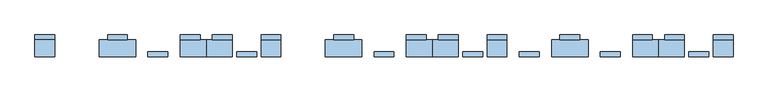
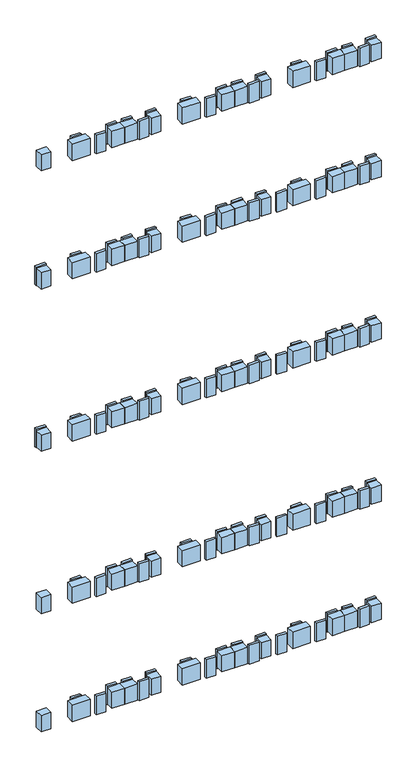
"""IFC4 building model written with IfcOpenShell, lengths in millimetres: window geometry."""

from ifc_helpers import new_model, si_unit, frame, origin, place, context, project, spatial, polyline, outline, extrude, source, transform, mapped, element, save


def window_9697532f(model_context):
    return source(origin(), model_context, "Body", "SweptSolid", [
        extrude(outline(polyline([(639.9988192, 120.0), (639.9988192, 146.0), (670.9988192, 146.0), (670.9988192, 120.0), (639.9988192, 120.0)])), frame((0.0, 0.0, 1622.5), z_axis=(0.0, 0.0, 1.0), x_axis=(1.0, 0.0, 0.0)), (0.0, 0.0, 1.0), 55.0),
        extrude(outline(polyline([(639.9988192, 146.0), (639.9988192, 153.9), (670.9988192, 153.9), (670.9988192, 146.0), (639.9988192, 146.0)])), frame((0.0, 0.0, 1618.5), z_axis=(0.0, 0.0, 1.0), x_axis=(1.0, 0.0, 0.0)), (0.0, 0.0, 1.0), 63.0),
        extrude(outline(polyline([(639.9988192, 120.0), (639.9988192, 146.0), (670.9988192, 146.0), (670.9988192, 120.0), (639.9988192, 120.0)])), frame((0.0, 0.0, 2023.0), z_axis=(0.0, 0.0, 1.0), x_axis=(1.0, 0.0, 0.0)), (0.0, 0.0, 1.0), 55.0),
        extrude(outline(polyline([(639.9988192, 120.0), (639.9988192, 146.0), (670.9988192, 146.0), (670.9988192, 120.0), (639.9988192, 120.0)])), frame((0.0, 0.0, 1072.5), z_axis=(0.0, 0.0, 1.0), x_axis=(1.0, 0.0, 0.0)), (0.0, 0.0, 1.0), 55.0),
        extrude(outline(polyline([(639.9988192, 120.0), (639.9988192, 146.0), (670.9988192, 146.0), (670.9988192, 120.0), (639.9988192, 120.0)])), frame((0.0, 0.0, 522.5), z_axis=(0.0, 0.0, 1.0), x_axis=(1.0, 0.0, 0.0)), (0.0, 0.0, 1.0), 55.0),
        extrude(outline(polyline([(639.9988192, 120.0), (639.9988192, 146.0), (670.9988192, 146.0), (670.9988192, 120.0), (639.9988192, 120.0)])), frame((0.0, 0.0, 121.986838), z_axis=(0.0, 0.0, 1.0), x_axis=(1.0, 0.0, 0.0)), (0.0, 0.0, 1.0), 55.0),
        extrude(outline(polyline([(639.9988192, 146.0), (639.9988192, 153.9), (670.9988192, 153.9), (670.9988192, 146.0), (639.9988192, 146.0)])), frame((0.0, 0.0, 1068.5), z_axis=(0.0, 0.0, 1.0), x_axis=(1.0, 0.0, 0.0)), (0.0, 0.0, 1.0), 63.0),
        extrude(outline(polyline([(639.9988192, 146.0), (639.9988192, 153.9), (670.9988192, 153.9), (670.9988192, 146.0), (639.9988192, 146.0)])), frame((0.0, 0.0, 518.5), z_axis=(0.0, 0.0, 1.0), x_axis=(1.0, 0.0, 0.0)), (0.0, 0.0, 1.0), 63.0),
        extrude(outline(polyline([(639.9988192, 146.0), (639.9988192, 153.9), (670.9988192, 153.9), (670.9988192, 146.0), (639.9988192, 146.0)])), frame((0.0, 0.0, 2019.0), z_axis=(0.0, 0.0, 1.0), x_axis=(1.0, 0.0, 0.0)), (0.0, 0.0, 1.0), 63.0),
        extrude(outline(polyline([(639.9988192, 146.0), (639.9988192, 153.9), (670.9988192, 153.9), (670.9988192, 146.0), (639.9988192, 146.0)])), frame((0.0, 0.0, 118.0), z_axis=(0.0, 0.0, 1.0), x_axis=(1.0, 0.0, 0.0)), (0.0, 0.0, 1.0), 63.0),
        extrude(outline(polyline([(601.9988192, 120.0), (601.9988192, 127.9), (632.9988192, 127.9), (632.9988192, 120.0), (601.9988192, 120.0)])), frame((0.0, 0.0, 1618.5), z_axis=(0.0, 0.0, 1.0), x_axis=(1.0, 0.0, 0.0)), (0.0, 0.0, 1.0), 63.0),
        extrude(outline(polyline([(601.9988192, 120.0), (601.9988192, 127.9), (632.9988192, 127.9), (632.9988192, 120.0), (601.9988192, 120.0)])), frame((0.0, 0.0, 1068.5), z_axis=(0.0, 0.0, 1.0), x_axis=(1.0, 0.0, 0.0)), (0.0, 0.0, 1.0), 63.0),
        extrude(outline(polyline([(601.9988192, 120.0), (601.9988192, 127.9), (632.9988192, 127.9), (632.9988192, 120.0), (601.9988192, 120.0)])), frame((0.0, 0.0, 518.5), z_axis=(0.0, 0.0, 1.0), x_axis=(1.0, 0.0, 0.0)), (0.0, 0.0, 1.0), 63.0),
        extrude(outline(polyline([(601.9988192, 120.0), (601.9988192, 127.9), (632.9988192, 127.9), (632.9988192, 120.0), (601.9988192, 120.0)])), frame((0.0, 0.0, 2019.0), z_axis=(0.0, 0.0, 1.0), x_axis=(1.0, 0.0, 0.0)), (0.0, 0.0, 1.0), 63.0),
        extrude(outline(polyline([(601.9988192, 120.0), (601.9988192, 127.9), (632.9988192, 127.9), (632.9988192, 120.0), (601.9988192, 120.0)])), frame((0.0, 0.0, 118.0), z_axis=(0.0, 0.0, 1.0), x_axis=(1.0, 0.0, 0.0)), (0.0, 0.0, 1.0), 63.0),
        extrude(outline(polyline([(564.0, 146.0), (564.0, 153.9), (595.0, 153.9), (595.0, 146.0), (564.0, 146.0)])), frame((0.0, 0.0, 118.0), z_axis=(0.0, 0.0, 1.0), x_axis=(1.0, 0.0, 0.0)), (0.0, 0.0, 1.0), 63.0),
        extrude(outline(polyline([(564.0, 146.0), (564.0, 153.9), (595.0, 153.9), (595.0, 146.0), (564.0, 146.0)])), frame((0.0, 0.0, 2019.0), z_axis=(0.0, 0.0, 1.0), x_axis=(1.0, 0.0, 0.0)), (0.0, 0.0, 1.0), 63.0),
        extrude(outline(polyline([(564.0, 146.0), (564.0, 153.9), (595.0, 153.9), (595.0, 146.0), (564.0, 146.0)])), frame((0.0, 0.0, 518.5), z_axis=(0.0, 0.0, 1.0), x_axis=(1.0, 0.0, 0.0)), (0.0, 0.0, 1.0), 63.0),
        extrude(outline(polyline([(564.0, 146.0), (564.0, 153.9), (595.0, 153.9), (595.0, 146.0), (564.0, 146.0)])), frame((0.0, 0.0, 1068.5), z_axis=(0.0, 0.0, 1.0), x_axis=(1.0, 0.0, 0.0)), (0.0, 0.0, 1.0), 63.0),
        extrude(outline(polyline([(555.0, 120.0), (555.0, 146.0), (595.0, 146.0), (595.0, 120.0), (555.0, 120.0)])), frame((0.0, 0.0, 121.986838), z_axis=(0.0, 0.0, 1.0), x_axis=(1.0, 0.0, 0.0)), (0.0, 0.0, 1.0), 55.0),
        extrude(outline(polyline([(555.0, 120.0), (555.0, 146.0), (595.0, 146.0), (595.0, 120.0), (555.0, 120.0)])), frame((0.0, 0.0, 522.5), z_axis=(0.0, 0.0, 1.0), x_axis=(1.0, 0.0, 0.0)), (0.0, 0.0, 1.0), 55.0),
        extrude(outline(polyline([(555.0, 120.0), (555.0, 146.0), (595.0, 146.0), (595.0, 120.0), (555.0, 120.0)])), frame((0.0, 0.0, 1072.5), z_axis=(0.0, 0.0, 1.0), x_axis=(1.0, 0.0, 0.0)), (0.0, 0.0, 1.0), 55.0),
        extrude(outline(polyline([(555.0, 120.0), (555.0, 146.0), (595.0, 146.0), (595.0, 120.0), (555.0, 120.0)])), frame((0.0, 0.0, 2023.0), z_axis=(0.0, 0.0, 1.0), x_axis=(1.0, 0.0, 0.0)), (0.0, 0.0, 1.0), 55.0),
        extrude(outline(polyline([(564.0, 146.0), (564.0, 153.9), (595.0, 153.9), (595.0, 146.0), (564.0, 146.0)])), frame((0.0, 0.0, 1618.5), z_axis=(0.0, 0.0, 1.0), x_axis=(1.0, 0.0, 0.0)), (0.0, 0.0, 1.0), 63.0),
        extrude(outline(polyline([(555.0, 120.0), (555.0, 146.0), (595.0, 146.0), (595.0, 120.0), (555.0, 120.0)])), frame((0.0, 0.0, 1622.5), z_axis=(0.0, 0.0, 1.0), x_axis=(1.0, 0.0, 0.0)), (0.0, 0.0, 1.0), 55.0),
        extrude(outline(polyline([(514.0, 146.0), (514.0, 153.9), (545.0, 153.9), (545.0, 146.0), (514.0, 146.0)])), frame((0.0, 0.0, 118.0), z_axis=(0.0, 0.0, 1.0), x_axis=(1.0, 0.0, 0.0)), (0.0, 0.0, 1.0), 63.0),
        extrude(outline(polyline([(514.0, 146.0), (514.0, 153.9), (545.0, 153.9), (545.0, 146.0), (514.0, 146.0)])), frame((0.0, 0.0, 2019.0), z_axis=(0.0, 0.0, 1.0), x_axis=(1.0, 0.0, 0.0)), (0.0, 0.0, 1.0), 63.0),
        extrude(outline(polyline([(514.0, 146.0), (514.0, 153.9), (545.0, 153.9), (545.0, 146.0), (514.0, 146.0)])), frame((0.0, 0.0, 518.5), z_axis=(0.0, 0.0, 1.0), x_axis=(1.0, 0.0, 0.0)), (0.0, 0.0, 1.0), 63.0),
        extrude(outline(polyline([(514.0, 146.0), (514.0, 153.9), (545.0, 153.9), (545.0, 146.0), (514.0, 146.0)])), frame((0.0, 0.0, 1068.5), z_axis=(0.0, 0.0, 1.0), x_axis=(1.0, 0.0, 0.0)), (0.0, 0.0, 1.0), 63.0),
        extrude(outline(polyline([(514.0, 120.0), (514.0, 146.0), (555.0, 146.0), (555.0, 120.0), (514.0, 120.0)])), frame((0.0, 0.0, 121.986838), z_axis=(0.0, 0.0, 1.0), x_axis=(1.0, 0.0, 0.0)), (0.0, 0.0, 1.0), 55.0),
        extrude(outline(polyline([(514.0, 120.0), (514.0, 146.0), (555.0, 146.0), (555.0, 120.0), (514.0, 120.0)])), frame((0.0, 0.0, 522.5), z_axis=(0.0, 0.0, 1.0), x_axis=(1.0, 0.0, 0.0)), (0.0, 0.0, 1.0), 55.0),
        extrude(outline(polyline([(514.0, 120.0), (514.0, 146.0), (555.0, 146.0), (555.0, 120.0), (514.0, 120.0)])), frame((0.0, 0.0, 1072.5), z_axis=(0.0, 0.0, 1.0), x_axis=(1.0, 0.0, 0.0)), (0.0, 0.0, 1.0), 55.0),
        extrude(outline(polyline([(514.0, 120.0), (514.0, 146.0), (555.0, 146.0), (555.0, 120.0), (514.0, 120.0)])), frame((0.0, 0.0, 2023.0), z_axis=(0.0, 0.0, 1.0), x_axis=(1.0, 0.0, 0.0)), (0.0, 0.0, 1.0), 55.0),
        extrude(outline(polyline([(514.0, 146.0), (514.0, 153.9), (545.0, 153.9), (545.0, 146.0), (514.0, 146.0)])), frame((0.0, 0.0, 1618.5), z_axis=(0.0, 0.0, 1.0), x_axis=(1.0, 0.0, 0.0)), (0.0, 0.0, 1.0), 63.0),
        extrude(outline(polyline([(514.0, 120.0), (514.0, 146.0), (555.0, 146.0), (555.0, 120.0), (514.0, 120.0)])), frame((0.0, 0.0, 1622.5), z_axis=(0.0, 0.0, 1.0), x_axis=(1.0, 0.0, 0.0)), (0.0, 0.0, 1.0), 55.0),
        extrude(outline(polyline([(463.5, 120.0), (463.5, 127.9), (494.5, 127.9), (494.5, 120.0), (463.5, 120.0)])), frame((0.0, 0.0, 1618.5), z_axis=(0.0, 0.0, 1.0), x_axis=(1.0, 0.0, 0.0)), (0.0, 0.0, 1.0), 63.0),
        extrude(outline(polyline([(463.5, 120.0), (463.5, 127.9), (494.5, 127.9), (494.5, 120.0), (463.5, 120.0)])), frame((0.0, 0.0, 1068.5), z_axis=(0.0, 0.0, 1.0), x_axis=(1.0, 0.0, 0.0)), (0.0, 0.0, 1.0), 63.0),
        extrude(outline(polyline([(463.5, 120.0), (463.5, 127.9), (494.5, 127.9), (494.5, 120.0), (463.5, 120.0)])), frame((0.0, 0.0, 518.5), z_axis=(0.0, 0.0, 1.0), x_axis=(1.0, 0.0, 0.0)), (0.0, 0.0, 1.0), 63.0),
        extrude(outline(polyline([(463.5, 120.0), (463.5, 127.9), (494.5, 127.9), (494.5, 120.0), (463.5, 120.0)])), frame((0.0, 0.0, 2019.0), z_axis=(0.0, 0.0, 1.0), x_axis=(1.0, 0.0, 0.0)), (0.0, 0.0, 1.0), 63.0),
        extrude(outline(polyline([(463.5, 120.0), (463.5, 127.9), (494.5, 127.9), (494.5, 120.0), (463.5, 120.0)])), frame((0.0, 0.0, 118.0), z_axis=(0.0, 0.0, 1.0), x_axis=(1.0, 0.0, 0.0)), (0.0, 0.0, 1.0), 63.0),
        extrude(outline(polyline([(387.5, 120.0), (387.5, 146.0), (444.5, 146.0), (444.5, 120.0), (387.5, 120.0)])), frame((0.0, 0.0, 1622.5), z_axis=(0.0, 0.0, 1.0), x_axis=(1.0, 0.0, 0.0)), (0.0, 0.0, 1.0), 55.0),
        extrude(outline(polyline([(400.5, 146.0), (400.5, 153.9), (431.5, 153.9), (431.5, 146.0), (400.5, 146.0)])), frame((0.0, 0.0, 1618.5), z_axis=(0.0, 0.0, 1.0), x_axis=(1.0, 0.0, 0.0)), (0.0, 0.0, 1.0), 63.0),
        extrude(outline(polyline([(387.5, 120.0), (387.5, 146.0), (444.5, 146.0), (444.5, 120.0), (387.5, 120.0)])), frame((0.0, 0.0, 2023.0), z_axis=(0.0, 0.0, 1.0), x_axis=(1.0, 0.0, 0.0)), (0.0, 0.0, 1.0), 55.0),
        extrude(outline(polyline([(387.5, 120.0), (387.5, 146.0), (444.5, 146.0), (444.5, 120.0), (387.5, 120.0)])), frame((0.0, 0.0, 1072.5), z_axis=(0.0, 0.0, 1.0), x_axis=(1.0, 0.0, 0.0)), (0.0, 0.0, 1.0), 55.0),
        extrude(outline(polyline([(387.5, 120.0), (387.5, 146.0), (444.5, 146.0), (444.5, 120.0), (387.5, 120.0)])), frame((0.0, 0.0, 522.5), z_axis=(0.0, 0.0, 1.0), x_axis=(1.0, 0.0, 0.0)), (0.0, 0.0, 1.0), 55.0),
        extrude(outline(polyline([(387.5, 120.0), (387.5, 146.0), (444.5, 146.0), (444.5, 120.0), (387.5, 120.0)])), frame((0.0, 0.0, 121.986838), z_axis=(0.0, 0.0, 1.0), x_axis=(1.0, 0.0, 0.0)), (0.0, 0.0, 1.0), 55.0),
        extrude(outline(polyline([(400.5, 146.0), (400.5, 153.9), (431.5, 153.9), (431.5, 146.0), (400.5, 146.0)])), frame((0.0, 0.0, 1068.5), z_axis=(0.0, 0.0, 1.0), x_axis=(1.0, 0.0, 0.0)), (0.0, 0.0, 1.0), 63.0),
        extrude(outline(polyline([(400.5, 146.0), (400.5, 153.9), (431.5, 153.9), (431.5, 146.0), (400.5, 146.0)])), frame((0.0, 0.0, 518.5), z_axis=(0.0, 0.0, 1.0), x_axis=(1.0, 0.0, 0.0)), (0.0, 0.0, 1.0), 63.0),
        extrude(outline(polyline([(400.5, 146.0), (400.5, 153.9), (431.5, 153.9), (431.5, 146.0), (400.5, 146.0)])), frame((0.0, 0.0, 2019.0), z_axis=(0.0, 0.0, 1.0), x_axis=(1.0, 0.0, 0.0)), (0.0, 0.0, 1.0), 63.0),
        extrude(outline(polyline([(400.5, 146.0), (400.5, 153.9), (431.5, 153.9), (431.5, 146.0), (400.5, 146.0)])), frame((0.0, 0.0, 118.0), z_axis=(0.0, 0.0, 1.0), x_axis=(1.0, 0.0, 0.0)), (0.0, 0.0, 1.0), 63.0),
        extrude(outline(polyline([(337.5, 120.1), (337.5, 128.0), (368.5, 128.0), (368.5, 120.1), (337.5, 120.1)])), frame((0.0, 0.0, 1618.5), z_axis=(0.0, 0.0, 1.0), x_axis=(1.0, 0.0, 0.0)), (0.0, 0.0, 1.0), 63.0),
        extrude(outline(polyline([(337.5, 120.1), (337.5, 128.0), (368.5, 128.0), (368.5, 120.1), (337.5, 120.1)])), frame((0.0, 0.0, 1068.5), z_axis=(0.0, 0.0, 1.0), x_axis=(1.0, 0.0, 0.0)), (0.0, 0.0, 1.0), 63.0),
        extrude(outline(polyline([(337.5, 120.1), (337.5, 128.0), (368.5, 128.0), (368.5, 120.1), (337.5, 120.1)])), frame((0.0, 0.0, 518.5), z_axis=(0.0, 0.0, 1.0), x_axis=(1.0, 0.0, 0.0)), (0.0, 0.0, 1.0), 63.0),
        extrude(outline(polyline([(337.5, 120.0), (337.5, 127.9), (368.5, 127.9), (368.5, 120.0), (337.5, 120.0)])), frame((0.0, 0.0, 118.0), z_axis=(0.0, 0.0, 1.0), x_axis=(1.0, 0.0, 0.0)), (0.0, 0.0, 1.0), 63.0),
        extrude(outline(polyline([(286.9988192, 120.0), (286.9988192, 146.0), (317.9988192, 146.0), (317.9988192, 120.0), (286.9988192, 120.0)])), frame((0.0, 0.0, 1622.5), z_axis=(0.0, 0.0, 1.0), x_axis=(1.0, 0.0, 0.0)), (0.0, 0.0, 1.0), 55.0),
        extrude(outline(polyline([(286.9988192, 146.0), (286.9988192, 153.9), (317.9988192, 153.9), (317.9988192, 146.0), (286.9988192, 146.0)])), frame((0.0, 0.0, 1618.5), z_axis=(0.0, 0.0, 1.0), x_axis=(1.0, 0.0, 0.0)), (0.0, 0.0, 1.0), 63.0),
        extrude(outline(polyline([(286.9988192, 120.0), (286.9988192, 146.0), (317.9988192, 146.0), (317.9988192, 120.0), (286.9988192, 120.0)])), frame((0.0, 0.0, 2023.0), z_axis=(0.0, 0.0, 1.0), x_axis=(1.0, 0.0, 0.0)), (0.0, 0.0, 1.0), 55.0),
        extrude(outline(polyline([(286.9988192, 120.0), (286.9988192, 146.0), (317.9988192, 146.0), (317.9988192, 120.0), (286.9988192, 120.0)])), frame((0.0, 0.0, 1072.5), z_axis=(0.0, 0.0, 1.0), x_axis=(1.0, 0.0, 0.0)), (0.0, 0.0, 1.0), 55.0),
        extrude(outline(polyline([(286.9988192, 120.0), (286.9988192, 146.0), (317.9988192, 146.0), (317.9988192, 120.0), (286.9988192, 120.0)])), frame((0.0, 0.0, 522.5), z_axis=(0.0, 0.0, 1.0), x_axis=(1.0, 0.0, 0.0)), (0.0, 0.0, 1.0), 55.0),
        extrude(outline(polyline([(286.9988192, 120.0), (286.9988192, 146.0), (317.9988192, 146.0), (317.9988192, 120.0), (286.9988192, 120.0)])), frame((0.0, 0.0, 121.986838), z_axis=(0.0, 0.0, 1.0), x_axis=(1.0, 0.0, 0.0)), (0.0, 0.0, 1.0), 55.0),
        extrude(outline(polyline([(286.9988192, 146.0), (286.9988192, 153.9), (317.9988192, 153.9), (317.9988192, 146.0), (286.9988192, 146.0)])), frame((0.0, 0.0, 1068.5), z_axis=(0.0, 0.0, 1.0), x_axis=(1.0, 0.0, 0.0)), (0.0, 0.0, 1.0), 63.0),
        extrude(outline(polyline([(286.9988192, 146.0), (286.9988192, 153.9), (317.9988192, 153.9), (317.9988192, 146.0), (286.9988192, 146.0)])), frame((0.0, 0.0, 518.5), z_axis=(0.0, 0.0, 1.0), x_axis=(1.0, 0.0, 0.0)), (0.0, 0.0, 1.0), 63.0),
        extrude(outline(polyline([(286.9988192, 146.0), (286.9988192, 153.9), (317.9988192, 153.9), (317.9988192, 146.0), (286.9988192, 146.0)])), frame((0.0, 0.0, 2019.0), z_axis=(0.0, 0.0, 1.0), x_axis=(1.0, 0.0, 0.0)), (0.0, 0.0, 1.0), 63.0),
        extrude(outline(polyline([(286.9988192, 146.0), (286.9988192, 153.9), (317.9988192, 153.9), (317.9988192, 146.0), (286.9988192, 146.0)])), frame((0.0, 0.0, 118.0), z_axis=(0.0, 0.0, 1.0), x_axis=(1.0, 0.0, 0.0)), (0.0, 0.0, 1.0), 63.0),
        extrude(outline(polyline([(248.9988192, 120.0), (248.9988192, 127.9), (279.9988192, 127.9), (279.9988192, 120.0), (248.9988192, 120.0)])), frame((0.0, 0.0, 1618.5), z_axis=(0.0, 0.0, 1.0), x_axis=(1.0, 0.0, 0.0)), (0.0, 0.0, 1.0), 63.0),
        extrude(outline(polyline([(248.9988192, 120.0), (248.9988192, 127.9), (279.9988192, 127.9), (279.9988192, 120.0), (248.9988192, 120.0)])), frame((0.0, 0.0, 1068.5), z_axis=(0.0, 0.0, 1.0), x_axis=(1.0, 0.0, 0.0)), (0.0, 0.0, 1.0), 63.0),
        extrude(outline(polyline([(248.9988192, 120.0), (248.9988192, 127.9), (279.9988192, 127.9), (279.9988192, 120.0), (248.9988192, 120.0)])), frame((0.0, 0.0, 518.5), z_axis=(0.0, 0.0, 1.0), x_axis=(1.0, 0.0, 0.0)), (0.0, 0.0, 1.0), 63.0),
        extrude(outline(polyline([(248.9988192, 120.0), (248.9988192, 127.9), (279.9988192, 127.9), (279.9988192, 120.0), (248.9988192, 120.0)])), frame((0.0, 0.0, 2019.0), z_axis=(0.0, 0.0, 1.0), x_axis=(1.0, 0.0, 0.0)), (0.0, 0.0, 1.0), 63.0),
        extrude(outline(polyline([(248.9988192, 120.0), (248.9988192, 127.9), (279.9988192, 127.9), (279.9988192, 120.0), (248.9988192, 120.0)])), frame((0.0, 0.0, 118.0), z_axis=(0.0, 0.0, 1.0), x_axis=(1.0, 0.0, 0.0)), (0.0, 0.0, 1.0), 63.0),
        extrude(outline(polyline([(202.0, 120.0), (202.0, 146.0), (242.0, 146.0), (242.0, 120.0), (202.0, 120.0)])), frame((0.0, 0.0, 1622.5), z_axis=(0.0, 0.0, 1.0), x_axis=(1.0, 0.0, 0.0)), (0.0, 0.0, 1.0), 55.0),
        extrude(outline(polyline([(211.0, 146.0), (211.0, 153.9), (242.0, 153.9), (242.0, 146.0), (211.0, 146.0)])), frame((0.0, 0.0, 1618.5), z_axis=(0.0, 0.0, 1.0), x_axis=(1.0, 0.0, 0.0)), (0.0, 0.0, 1.0), 63.0),
        extrude(outline(polyline([(202.0, 120.0), (202.0, 146.0), (242.0, 146.0), (242.0, 120.0), (202.0, 120.0)])), frame((0.0, 0.0, 2023.0), z_axis=(0.0, 0.0, 1.0), x_axis=(1.0, 0.0, 0.0)), (0.0, 0.0, 1.0), 55.0),
        extrude(outline(polyline([(202.0, 120.0), (202.0, 146.0), (242.0, 146.0), (242.0, 120.0), (202.0, 120.0)])), frame((0.0, 0.0, 1072.5), z_axis=(0.0, 0.0, 1.0), x_axis=(1.0, 0.0, 0.0)), (0.0, 0.0, 1.0), 55.0),
        extrude(outline(polyline([(202.0, 120.0), (202.0, 146.0), (242.0, 146.0), (242.0, 120.0), (202.0, 120.0)])), frame((0.0, 0.0, 522.5), z_axis=(0.0, 0.0, 1.0), x_axis=(1.0, 0.0, 0.0)), (0.0, 0.0, 1.0), 55.0),
        extrude(outline(polyline([(202.0, 120.0), (202.0, 146.0), (242.0, 146.0), (242.0, 120.0), (202.0, 120.0)])), frame((0.0, 0.0, 121.986838), z_axis=(0.0, 0.0, 1.0), x_axis=(1.0, 0.0, 0.0)), (0.0, 0.0, 1.0), 55.0),
        extrude(outline(polyline([(211.0, 146.0), (211.0, 153.9), (242.0, 153.9), (242.0, 146.0), (211.0, 146.0)])), frame((0.0, 0.0, 1068.5), z_axis=(0.0, 0.0, 1.0), x_axis=(1.0, 0.0, 0.0)), (0.0, 0.0, 1.0), 63.0),
        extrude(outline(polyline([(211.0, 146.0), (211.0, 153.9), (242.0, 153.9), (242.0, 146.0), (211.0, 146.0)])), frame((0.0, 0.0, 518.5), z_axis=(0.0, 0.0, 1.0), x_axis=(1.0, 0.0, 0.0)), (0.0, 0.0, 1.0), 63.0),
        extrude(outline(polyline([(211.0, 146.0), (211.0, 153.9), (242.0, 153.9), (242.0, 146.0), (211.0, 146.0)])), frame((0.0, 0.0, 2019.0), z_axis=(0.0, 0.0, 1.0), x_axis=(1.0, 0.0, 0.0)), (0.0, 0.0, 1.0), 63.0),
        extrude(outline(polyline([(211.0, 146.0), (211.0, 153.9), (242.0, 153.9), (242.0, 146.0), (211.0, 146.0)])), frame((0.0, 0.0, 118.0), z_axis=(0.0, 0.0, 1.0), x_axis=(1.0, 0.0, 0.0)), (0.0, 0.0, 1.0), 63.0),
        extrude(outline(polyline([(161.0, 120.0), (161.0, 146.0), (202.0, 146.0), (202.0, 120.0), (161.0, 120.0)])), frame((0.0, 0.0, 1622.5), z_axis=(0.0, 0.0, 1.0), x_axis=(1.0, 0.0, 0.0)), (0.0, 0.0, 1.0), 55.0),
        extrude(outline(polyline([(161.0, 146.0), (161.0, 153.9), (192.0, 153.9), (192.0, 146.0), (161.0, 146.0)])), frame((0.0, 0.0, 1618.5), z_axis=(0.0, 0.0, 1.0), x_axis=(1.0, 0.0, 0.0)), (0.0, 0.0, 1.0), 63.0),
        extrude(outline(polyline([(161.0, 120.0), (161.0, 146.0), (202.0, 146.0), (202.0, 120.0), (161.0, 120.0)])), frame((0.0, 0.0, 2023.0), z_axis=(0.0, 0.0, 1.0), x_axis=(1.0, 0.0, 0.0)), (0.0, 0.0, 1.0), 55.0),
        extrude(outline(polyline([(161.0, 120.0), (161.0, 146.0), (202.0, 146.0), (202.0, 120.0), (161.0, 120.0)])), frame((0.0, 0.0, 1072.5), z_axis=(0.0, 0.0, 1.0), x_axis=(1.0, 0.0, 0.0)), (0.0, 0.0, 1.0), 55.0),
        extrude(outline(polyline([(161.0, 120.0), (161.0, 146.0), (202.0, 146.0), (202.0, 120.0), (161.0, 120.0)])), frame((0.0, 0.0, 522.5), z_axis=(0.0, 0.0, 1.0), x_axis=(1.0, 0.0, 0.0)), (0.0, 0.0, 1.0), 55.0),
        extrude(outline(polyline([(161.0, 120.0), (161.0, 146.0), (202.0, 146.0), (202.0, 120.0), (161.0, 120.0)])), frame((0.0, 0.0, 121.986838), z_axis=(0.0, 0.0, 1.0), x_axis=(1.0, 0.0, 0.0)), (0.0, 0.0, 1.0), 55.0),
        extrude(outline(polyline([(161.0, 146.0), (161.0, 153.9), (192.0, 153.9), (192.0, 146.0), (161.0, 146.0)])), frame((0.0, 0.0, 1068.5), z_axis=(0.0, 0.0, 1.0), x_axis=(1.0, 0.0, 0.0)), (0.0, 0.0, 1.0), 63.0),
        extrude(outline(polyline([(161.0, 146.0), (161.0, 153.9), (192.0, 153.9), (192.0, 146.0), (161.0, 146.0)])), frame((0.0, 0.0, 518.5), z_axis=(0.0, 0.0, 1.0), x_axis=(1.0, 0.0, 0.0)), (0.0, 0.0, 1.0), 63.0),
        extrude(outline(polyline([(161.0, 146.0), (161.0, 153.9), (192.0, 153.9), (192.0, 146.0), (161.0, 146.0)])), frame((0.0, 0.0, 2019.0), z_axis=(0.0, 0.0, 1.0), x_axis=(1.0, 0.0, 0.0)), (0.0, 0.0, 1.0), 63.0),
        extrude(outline(polyline([(161.0, 146.0), (161.0, 153.9), (192.0, 153.9), (192.0, 146.0), (161.0, 146.0)])), frame((0.0, 0.0, 118.0), z_axis=(0.0, 0.0, 1.0), x_axis=(1.0, 0.0, 0.0)), (0.0, 0.0, 1.0), 63.0),
        extrude(outline(polyline([(110.5, 120.0), (110.5, 127.9), (141.5, 127.9), (141.5, 120.0), (110.5, 120.0)])), frame((0.0, 0.0, 1618.5), z_axis=(0.0, 0.0, 1.0), x_axis=(1.0, 0.0, 0.0)), (0.0, 0.0, 1.0), 63.0),
        extrude(outline(polyline([(110.5, 120.0), (110.5, 127.9), (141.5, 127.9), (141.5, 120.0), (110.5, 120.0)])), frame((0.0, 0.0, 1068.5), z_axis=(0.0, 0.0, 1.0), x_axis=(1.0, 0.0, 0.0)), (0.0, 0.0, 1.0), 63.0),
        extrude(outline(polyline([(110.5, 120.0), (110.5, 127.9), (141.5, 127.9), (141.5, 120.0), (110.5, 120.0)])), frame((0.0, 0.0, 518.5), z_axis=(0.0, 0.0, 1.0), x_axis=(1.0, 0.0, 0.0)), (0.0, 0.0, 1.0), 63.0),
        extrude(outline(polyline([(110.5, 120.0), (110.5, 127.9), (141.5, 127.9), (141.5, 120.0), (110.5, 120.0)])), frame((0.0, 0.0, 2019.0), z_axis=(0.0, 0.0, 1.0), x_axis=(1.0, 0.0, 0.0)), (0.0, 0.0, 1.0), 63.0),
        extrude(outline(polyline([(110.5, 120.0), (110.5, 127.9), (141.5, 127.9), (141.5, 120.0), (110.5, 120.0)])), frame((0.0, 0.0, 118.0), z_axis=(0.0, 0.0, 1.0), x_axis=(1.0, 0.0, 0.0)), (0.0, 0.0, 1.0), 63.0),
        extrude(outline(polyline([(34.5, 120.0), (34.5, 146.0), (91.5, 146.0), (91.5, 120.0), (34.5, 120.0)])), frame((0.0, 0.0, 1622.5), z_axis=(0.0, 0.0, 1.0), x_axis=(1.0, 0.0, 0.0)), (0.0, 0.0, 1.0), 55.0),
        extrude(outline(polyline([(47.5, 146.0), (47.5, 153.9), (78.5, 153.9), (78.5, 146.0), (47.5, 146.0)])), frame((0.0, 0.0, 1618.5), z_axis=(0.0, 0.0, 1.0), x_axis=(1.0, 0.0, 0.0)), (0.0, 0.0, 1.0), 63.0),
        extrude(outline(polyline([(34.5, 120.0), (34.5, 146.0), (91.5, 146.0), (91.5, 120.0), (34.5, 120.0)])), frame((0.0, 0.0, 2023.0), z_axis=(0.0, 0.0, 1.0), x_axis=(1.0, 0.0, 0.0)), (0.0, 0.0, 1.0), 55.0),
        extrude(outline(polyline([(34.5, 120.0), (34.5, 146.0), (91.5, 146.0), (91.5, 120.0), (34.5, 120.0)])), frame((0.0, 0.0, 1072.5), z_axis=(0.0, 0.0, 1.0), x_axis=(1.0, 0.0, 0.0)), (0.0, 0.0, 1.0), 55.0),
        extrude(outline(polyline([(34.5, 120.0), (34.5, 146.0), (91.5, 146.0), (91.5, 120.0), (34.5, 120.0)])), frame((0.0, 0.0, 522.5), z_axis=(0.0, 0.0, 1.0), x_axis=(1.0, 0.0, 0.0)), (0.0, 0.0, 1.0), 55.0),
        extrude(outline(polyline([(34.5, 120.0), (34.5, 146.0), (91.5, 146.0), (91.5, 120.0), (34.5, 120.0)])), frame((0.0, 0.0, 121.986838), z_axis=(0.0, 0.0, 1.0), x_axis=(1.0, 0.0, 0.0)), (0.0, 0.0, 1.0), 55.0),
        extrude(outline(polyline([(47.5, 146.0), (47.5, 153.9), (78.5, 153.9), (78.5, 146.0), (47.5, 146.0)])), frame((0.0, 0.0, 1068.5), z_axis=(0.0, 0.0, 1.0), x_axis=(1.0, 0.0, 0.0)), (0.0, 0.0, 1.0), 63.0),
        extrude(outline(polyline([(47.5, 146.0), (47.5, 153.9), (78.5, 153.9), (78.5, 146.0), (47.5, 146.0)])), frame((0.0, 0.0, 518.5), z_axis=(0.0, 0.0, 1.0), x_axis=(1.0, 0.0, 0.0)), (0.0, 0.0, 1.0), 63.0),
        extrude(outline(polyline([(47.5, 146.0), (47.5, 153.9), (78.5, 153.9), (78.5, 146.0), (47.5, 146.0)])), frame((0.0, 0.0, 2019.0), z_axis=(0.0, 0.0, 1.0), x_axis=(1.0, 0.0, 0.0)), (0.0, 0.0, 1.0), 63.0),
        extrude(outline(polyline([(47.5, 146.0), (47.5, 153.9), (78.5, 153.9), (78.5, 146.0), (47.5, 146.0)])), frame((0.0, 0.0, 118.0), z_axis=(0.0, 0.0, 1.0), x_axis=(1.0, 0.0, 0.0)), (0.0, 0.0, 1.0), 63.0),
        extrude(outline(polyline([(-66.0011808, 120.0), (-66.0011808, 146.0), (-35.0011808, 146.0), (-35.0011808, 120.0), (-66.0011808, 120.0)])), frame((0.0, 0.0, 1622.5), z_axis=(0.0, 0.0, 1.0), x_axis=(1.0, 0.0, 0.0)), (0.0, 0.0, 1.0), 55.0),
        extrude(outline(polyline([(-66.0011808, 146.0), (-66.0011808, 153.9), (-35.0011808, 153.9), (-35.0011808, 146.0), (-66.0011808, 146.0)])), frame((0.0, 0.0, 1618.5), z_axis=(0.0, 0.0, 1.0), x_axis=(1.0, 0.0, 0.0)), (0.0, 0.0, 1.0), 63.0),
        extrude(outline(polyline([(-66.0011808, 120.0), (-66.0011808, 146.0), (-35.0011808, 146.0), (-35.0011808, 120.0), (-66.0011808, 120.0)])), frame((0.0, 0.0, 2023.0), z_axis=(0.0, 0.0, 1.0), x_axis=(1.0, 0.0, 0.0)), (0.0, 0.0, 1.0), 55.0),
        extrude(outline(polyline([(-66.0011808, 120.0), (-66.0011808, 146.0), (-35.0011808, 146.0), (-35.0011808, 120.0), (-66.0011808, 120.0)])), frame((0.0, 0.0, 1072.5), z_axis=(0.0, 0.0, 1.0), x_axis=(1.0, 0.0, 0.0)), (0.0, 0.0, 1.0), 55.0),
        extrude(outline(polyline([(-66.0011808, 120.0), (-66.0011808, 146.0), (-35.0011808, 146.0), (-35.0011808, 120.0), (-66.0011808, 120.0)])), frame((0.0, 0.0, 522.5), z_axis=(0.0, 0.0, 1.0), x_axis=(1.0, 0.0, 0.0)), (0.0, 0.0, 1.0), 55.0),
        extrude(outline(polyline([(-66.0011808, 120.0), (-66.0011808, 146.0), (-35.0011808, 146.0), (-35.0011808, 120.0), (-66.0011808, 120.0)])), frame((0.0, 0.0, 121.986838), z_axis=(0.0, 0.0, 1.0), x_axis=(1.0, 0.0, 0.0)), (0.0, 0.0, 1.0), 55.0),
        extrude(outline(polyline([(-66.0011808, 146.0), (-66.0011808, 153.9), (-35.0011808, 153.9), (-35.0011808, 146.0), (-66.0011808, 146.0)])), frame((0.0, 0.0, 1068.5), z_axis=(0.0, 0.0, 1.0), x_axis=(1.0, 0.0, 0.0)), (0.0, 0.0, 1.0), 63.0),
        extrude(outline(polyline([(-66.0011808, 146.0), (-66.0011808, 153.9), (-35.0011808, 153.9), (-35.0011808, 146.0), (-66.0011808, 146.0)])), frame((0.0, 0.0, 518.5), z_axis=(0.0, 0.0, 1.0), x_axis=(1.0, 0.0, 0.0)), (0.0, 0.0, 1.0), 63.0),
        extrude(outline(polyline([(-66.0011808, 146.0), (-66.0011808, 153.9), (-35.0011808, 153.9), (-35.0011808, 146.0), (-66.0011808, 146.0)])), frame((0.0, 0.0, 2019.0), z_axis=(0.0, 0.0, 1.0), x_axis=(1.0, 0.0, 0.0)), (0.0, 0.0, 1.0), 63.0),
        extrude(outline(polyline([(-66.0011808, 146.0), (-66.0011808, 153.9), (-35.0011808, 153.9), (-35.0011808, 146.0), (-66.0011808, 146.0)])), frame((0.0, 0.0, 118.0), z_axis=(0.0, 0.0, 1.0), x_axis=(1.0, 0.0, 0.0)), (0.0, 0.0, 1.0), 63.0),
        extrude(outline(polyline([(-104.0011808, 120.0), (-104.0011808, 127.9), (-73.0011808, 127.9), (-73.0011808, 120.0), (-104.0011808, 120.0)])), frame((0.0, 0.0, 1618.5), z_axis=(0.0, 0.0, 1.0), x_axis=(1.0, 0.0, 0.0)), (0.0, 0.0, 1.0), 63.0),
        extrude(outline(polyline([(-104.0011808, 120.0), (-104.0011808, 127.9), (-73.0011808, 127.9), (-73.0011808, 120.0), (-104.0011808, 120.0)])), frame((0.0, 0.0, 1068.5), z_axis=(0.0, 0.0, 1.0), x_axis=(1.0, 0.0, 0.0)), (0.0, 0.0, 1.0), 63.0),
        extrude(outline(polyline([(-104.0011808, 120.0), (-104.0011808, 127.9), (-73.0011808, 127.9), (-73.0011808, 120.0), (-104.0011808, 120.0)])), frame((0.0, 0.0, 518.5), z_axis=(0.0, 0.0, 1.0), x_axis=(1.0, 0.0, 0.0)), (0.0, 0.0, 1.0), 63.0),
        extrude(outline(polyline([(-104.0011808, 120.0), (-104.0011808, 127.9), (-73.0011808, 127.9), (-73.0011808, 120.0), (-104.0011808, 120.0)])), frame((0.0, 0.0, 2019.0), z_axis=(0.0, 0.0, 1.0), x_axis=(1.0, 0.0, 0.0)), (0.0, 0.0, 1.0), 63.0),
        extrude(outline(polyline([(-104.0011808, 120.0), (-104.0011808, 127.9), (-73.0011808, 127.9), (-73.0011808, 120.0), (-104.0011808, 120.0)])), frame((0.0, 0.0, 118.0), z_axis=(0.0, 0.0, 1.0), x_axis=(1.0, 0.0, 0.0)), (0.0, 0.0, 1.0), 63.0),
        extrude(outline(polyline([(-142.0, 146.0), (-142.0, 153.9), (-111.0, 153.9), (-111.0, 146.0), (-142.0, 146.0)])), frame((0.0, 0.0, 118.0), z_axis=(0.0, 0.0, 1.0), x_axis=(1.0, 0.0, 0.0)), (0.0, 0.0, 1.0), 63.0),
        extrude(outline(polyline([(-142.0, 146.0), (-142.0, 153.9), (-111.0, 153.9), (-111.0, 146.0), (-142.0, 146.0)])), frame((0.0, 0.0, 2019.0), z_axis=(0.0, 0.0, 1.0), x_axis=(1.0, 0.0, 0.0)), (0.0, 0.0, 1.0), 63.0),
        extrude(outline(polyline([(-142.0, 146.0), (-142.0, 153.9), (-111.0, 153.9), (-111.0, 146.0), (-142.0, 146.0)])), frame((0.0, 0.0, 518.5), z_axis=(0.0, 0.0, 1.0), x_axis=(1.0, 0.0, 0.0)), (0.0, 0.0, 1.0), 63.0),
        extrude(outline(polyline([(-142.0, 146.0), (-142.0, 153.9), (-111.0, 153.9), (-111.0, 146.0), (-142.0, 146.0)])), frame((0.0, 0.0, 1068.5), z_axis=(0.0, 0.0, 1.0), x_axis=(1.0, 0.0, 0.0)), (0.0, 0.0, 1.0), 63.0),
        extrude(outline(polyline([(-151.0, 120.0), (-151.0, 146.0), (-111.0, 146.0), (-111.0, 120.0), (-151.0, 120.0)])), frame((0.0, 0.0, 121.986838), z_axis=(0.0, 0.0, 1.0), x_axis=(1.0, 0.0, 0.0)), (0.0, 0.0, 1.0), 55.0),
        extrude(outline(polyline([(-151.0, 120.0), (-151.0, 146.0), (-111.0, 146.0), (-111.0, 120.0), (-151.0, 120.0)])), frame((0.0, 0.0, 522.5), z_axis=(0.0, 0.0, 1.0), x_axis=(1.0, 0.0, 0.0)), (0.0, 0.0, 1.0), 55.0),
        extrude(outline(polyline([(-151.0, 120.0), (-151.0, 146.0), (-111.0, 146.0), (-111.0, 120.0), (-151.0, 120.0)])), frame((0.0, 0.0, 1072.5), z_axis=(0.0, 0.0, 1.0), x_axis=(1.0, 0.0, 0.0)), (0.0, 0.0, 1.0), 55.0),
        extrude(outline(polyline([(-151.0, 120.0), (-151.0, 146.0), (-111.0, 146.0), (-111.0, 120.0), (-151.0, 120.0)])), frame((0.0, 0.0, 2023.0), z_axis=(0.0, 0.0, 1.0), x_axis=(1.0, 0.0, 0.0)), (0.0, 0.0, 1.0), 55.0),
        extrude(outline(polyline([(-142.0, 146.0), (-142.0, 153.9), (-111.0, 153.9), (-111.0, 146.0), (-142.0, 146.0)])), frame((0.0, 0.0, 1618.5), z_axis=(0.0, 0.0, 1.0), x_axis=(1.0, 0.0, 0.0)), (0.0, 0.0, 1.0), 63.0),
        extrude(outline(polyline([(-151.0, 120.0), (-151.0, 146.0), (-111.0, 146.0), (-111.0, 120.0), (-151.0, 120.0)])), frame((0.0, 0.0, 1622.5), z_axis=(0.0, 0.0, 1.0), x_axis=(1.0, 0.0, 0.0)), (0.0, 0.0, 1.0), 55.0),
        extrude(outline(polyline([(-192.0, 146.0), (-192.0, 153.9), (-161.0, 153.9), (-161.0, 146.0), (-192.0, 146.0)])), frame((0.0, 0.0, 118.0), z_axis=(0.0, 0.0, 1.0), x_axis=(1.0, 0.0, 0.0)), (0.0, 0.0, 1.0), 63.0),
        extrude(outline(polyline([(-192.0, 146.0), (-192.0, 153.9), (-161.0, 153.9), (-161.0, 146.0), (-192.0, 146.0)])), frame((0.0, 0.0, 2019.0), z_axis=(0.0, 0.0, 1.0), x_axis=(1.0, 0.0, 0.0)), (0.0, 0.0, 1.0), 63.0),
        extrude(outline(polyline([(-192.0, 146.0), (-192.0, 153.9), (-161.0, 153.9), (-161.0, 146.0), (-192.0, 146.0)])), frame((0.0, 0.0, 518.5), z_axis=(0.0, 0.0, 1.0), x_axis=(1.0, 0.0, 0.0)), (0.0, 0.0, 1.0), 63.0),
        extrude(outline(polyline([(-192.0, 146.0), (-192.0, 153.9), (-161.0, 153.9), (-161.0, 146.0), (-192.0, 146.0)])), frame((0.0, 0.0, 1068.5), z_axis=(0.0, 0.0, 1.0), x_axis=(1.0, 0.0, 0.0)), (0.0, 0.0, 1.0), 63.0),
        extrude(outline(polyline([(-192.0, 120.0), (-192.0, 146.0), (-151.0, 146.0), (-151.0, 120.0), (-192.0, 120.0)])), frame((0.0, 0.0, 121.986838), z_axis=(0.0, 0.0, 1.0), x_axis=(1.0, 0.0, 0.0)), (0.0, 0.0, 1.0), 55.0),
        extrude(outline(polyline([(-192.0, 120.0), (-192.0, 146.0), (-151.0, 146.0), (-151.0, 120.0), (-192.0, 120.0)])), frame((0.0, 0.0, 522.5), z_axis=(0.0, 0.0, 1.0), x_axis=(1.0, 0.0, 0.0)), (0.0, 0.0, 1.0), 55.0),
        extrude(outline(polyline([(-192.0, 120.0), (-192.0, 146.0), (-151.0, 146.0), (-151.0, 120.0), (-192.0, 120.0)])), frame((0.0, 0.0, 1072.5), z_axis=(0.0, 0.0, 1.0), x_axis=(1.0, 0.0, 0.0)), (0.0, 0.0, 1.0), 55.0),
        extrude(outline(polyline([(-192.0, 120.0), (-192.0, 146.0), (-151.0, 146.0), (-151.0, 120.0), (-192.0, 120.0)])), frame((0.0, 0.0, 2023.0), z_axis=(0.0, 0.0, 1.0), x_axis=(1.0, 0.0, 0.0)), (0.0, 0.0, 1.0), 55.0),
        extrude(outline(polyline([(-192.0, 146.0), (-192.0, 153.9), (-161.0, 153.9), (-161.0, 146.0), (-192.0, 146.0)])), frame((0.0, 0.0, 1618.5), z_axis=(0.0, 0.0, 1.0), x_axis=(1.0, 0.0, 0.0)), (0.0, 0.0, 1.0), 63.0),
        extrude(outline(polyline([(-192.0, 120.0), (-192.0, 146.0), (-151.0, 146.0), (-151.0, 120.0), (-192.0, 120.0)])), frame((0.0, 0.0, 1622.5), z_axis=(0.0, 0.0, 1.0), x_axis=(1.0, 0.0, 0.0)), (0.0, 0.0, 1.0), 55.0),
        extrude(outline(polyline([(-242.5, 120.0), (-242.5, 127.9), (-211.5, 127.9), (-211.5, 120.0), (-242.5, 120.0)])), frame((0.0, 0.0, 1618.5), z_axis=(0.0, 0.0, 1.0), x_axis=(1.0, 0.0, 0.0)), (0.0, 0.0, 1.0), 63.0),
        extrude(outline(polyline([(-242.5, 120.0), (-242.5, 127.9), (-211.5, 127.9), (-211.5, 120.0), (-242.5, 120.0)])), frame((0.0, 0.0, 1068.5), z_axis=(0.0, 0.0, 1.0), x_axis=(1.0, 0.0, 0.0)), (0.0, 0.0, 1.0), 63.0),
        extrude(outline(polyline([(-242.5, 120.0), (-242.5, 127.9), (-211.5, 127.9), (-211.5, 120.0), (-242.5, 120.0)])), frame((0.0, 0.0, 518.5), z_axis=(0.0, 0.0, 1.0), x_axis=(1.0, 0.0, 0.0)), (0.0, 0.0, 1.0), 63.0),
        extrude(outline(polyline([(-242.5, 120.0), (-242.5, 127.9), (-211.5, 127.9), (-211.5, 120.0), (-242.5, 120.0)])), frame((0.0, 0.0, 2019.0), z_axis=(0.0, 0.0, 1.0), x_axis=(1.0, 0.0, 0.0)), (0.0, 0.0, 1.0), 63.0),
        extrude(outline(polyline([(-242.5, 120.0), (-242.5, 127.9), (-211.5, 127.9), (-211.5, 120.0), (-242.5, 120.0)])), frame((0.0, 0.0, 118.0), z_axis=(0.0, 0.0, 1.0), x_axis=(1.0, 0.0, 0.0)), (0.0, 0.0, 1.0), 63.0),
        extrude(outline(polyline([(-318.5, 120.0), (-318.5, 146.0), (-261.5, 146.0), (-261.5, 120.0), (-318.5, 120.0)])), frame((0.0, 0.0, 1622.5), z_axis=(0.0, 0.0, 1.0), x_axis=(1.0, 0.0, 0.0)), (0.0, 0.0, 1.0), 55.0),
        extrude(outline(polyline([(-305.5, 146.0), (-305.5, 153.9), (-274.5, 153.9), (-274.5, 146.0), (-305.5, 146.0)])), frame((0.0, 0.0, 1618.5), z_axis=(0.0, 0.0, 1.0), x_axis=(1.0, 0.0, 0.0)), (0.0, 0.0, 1.0), 63.0),
        extrude(outline(polyline([(-318.5, 120.0), (-318.5, 146.0), (-261.5, 146.0), (-261.5, 120.0), (-318.5, 120.0)])), frame((0.0, 0.0, 2023.0), z_axis=(0.0, 0.0, 1.0), x_axis=(1.0, 0.0, 0.0)), (0.0, 0.0, 1.0), 55.0),
        extrude(outline(polyline([(-318.5, 120.0), (-318.5, 146.0), (-261.5, 146.0), (-261.5, 120.0), (-318.5, 120.0)])), frame((0.0, 0.0, 1072.5), z_axis=(0.0, 0.0, 1.0), x_axis=(1.0, 0.0, 0.0)), (0.0, 0.0, 1.0), 55.0),
        extrude(outline(polyline([(-318.5, 120.0), (-318.5, 146.0), (-261.5, 146.0), (-261.5, 120.0), (-318.5, 120.0)])), frame((0.0, 0.0, 522.5), z_axis=(0.0, 0.0, 1.0), x_axis=(1.0, 0.0, 0.0)), (0.0, 0.0, 1.0), 55.0),
        extrude(outline(polyline([(-318.5, 120.0), (-318.5, 146.0), (-261.5, 146.0), (-261.5, 120.0), (-318.5, 120.0)])), frame((0.0, 0.0, 121.986838), z_axis=(0.0, 0.0, 1.0), x_axis=(1.0, 0.0, 0.0)), (0.0, 0.0, 1.0), 55.0),
        extrude(outline(polyline([(-305.5, 146.0), (-305.5, 153.9), (-274.5, 153.9), (-274.5, 146.0), (-305.5, 146.0)])), frame((0.0, 0.0, 1068.5), z_axis=(0.0, 0.0, 1.0), x_axis=(1.0, 0.0, 0.0)), (0.0, 0.0, 1.0), 63.0),
        extrude(outline(polyline([(-305.5, 146.0), (-305.5, 153.9), (-274.5, 153.9), (-274.5, 146.0), (-305.5, 146.0)])), frame((0.0, 0.0, 518.5), z_axis=(0.0, 0.0, 1.0), x_axis=(1.0, 0.0, 0.0)), (0.0, 0.0, 1.0), 63.0),
        extrude(outline(polyline([(-305.5, 146.0), (-305.5, 153.9), (-274.5, 153.9), (-274.5, 146.0), (-305.5, 146.0)])), frame((0.0, 0.0, 2019.0), z_axis=(0.0, 0.0, 1.0), x_axis=(1.0, 0.0, 0.0)), (0.0, 0.0, 1.0), 63.0),
        extrude(outline(polyline([(-305.5, 146.0), (-305.5, 153.9), (-274.5, 153.9), (-274.5, 146.0), (-305.5, 146.0)])), frame((0.0, 0.0, 118.0), z_axis=(0.0, 0.0, 1.0), x_axis=(1.0, 0.0, 0.0)), (0.0, 0.0, 1.0), 63.0),
        extrude(outline(polyline([(-419.0011808, 120.0), (-419.0011808, 146.0), (-388.0011808, 146.0), (-388.0011808, 120.0), (-419.0011808, 120.0)])), frame((0.0, 0.0, 1622.5), z_axis=(0.0, 0.0, 1.0), x_axis=(1.0, 0.0, 0.0)), (0.0, 0.0, 1.0), 55.0),
        extrude(outline(polyline([(-419.0011808, 146.0), (-419.0011808, 153.9), (-388.0011808, 153.9), (-388.0011808, 146.0), (-419.0011808, 146.0)])), frame((0.0, 0.0, 1618.5), z_axis=(0.0, 0.0, 1.0), x_axis=(1.0, 0.0, 0.0)), (0.0, 0.0, 1.0), 63.0),
        extrude(outline(polyline([(-419.0011808, 120.0), (-419.0011808, 146.0), (-388.0011808, 146.0), (-388.0011808, 120.0), (-419.0011808, 120.0)])), frame((0.0, 0.0, 2023.0), z_axis=(0.0, 0.0, 1.0), x_axis=(1.0, 0.0, 0.0)), (0.0, 0.0, 1.0), 55.0),
        extrude(outline(polyline([(-419.0011808, 120.0), (-419.0011808, 146.0), (-388.0011808, 146.0), (-388.0011808, 120.0), (-419.0011808, 120.0)])), frame((0.0, 0.0, 1072.5), z_axis=(0.0, 0.0, 1.0), x_axis=(1.0, 0.0, 0.0)), (0.0, 0.0, 1.0), 55.0),
        extrude(outline(polyline([(-419.0011808, 120.0), (-419.0011808, 146.0), (-388.0011808, 146.0), (-388.0011808, 120.0), (-419.0011808, 120.0)])), frame((0.0, 0.0, 522.5), z_axis=(0.0, 0.0, 1.0), x_axis=(1.0, 0.0, 0.0)), (0.0, 0.0, 1.0), 55.0),
        extrude(outline(polyline([(-419.0011808, 120.0), (-419.0011808, 146.0), (-388.0011808, 146.0), (-388.0011808, 120.0), (-419.0011808, 120.0)])), frame((0.0, 0.0, 121.986838), z_axis=(0.0, 0.0, 1.0), x_axis=(1.0, 0.0, 0.0)), (0.0, 0.0, 1.0), 55.0),
        extrude(outline(polyline([(-419.0011808, 146.0), (-419.0011808, 153.9), (-388.0011808, 153.9), (-388.0011808, 146.0), (-419.0011808, 146.0)])), frame((0.0, 0.0, 1068.5), z_axis=(0.0, 0.0, 1.0), x_axis=(1.0, 0.0, 0.0)), (0.0, 0.0, 1.0), 63.0),
    ])


if __name__ == "__main__":
    model = new_model("IFC4")
    model_context = context("Model", 3, world=origin())
    ifc_project = project(units=[si_unit("LENGTHUNIT", "METRE", prefix="MILLI")], contexts=[model_context])
    site = spatial("IfcSite", under=ifc_project)
    building = spatial("IfcBuilding", under=site)
    placement = place(None, origin())
    window_shape = window_9697532f(model_context)
    element("IfcWindow", 1, at=placement, inside=building, context=model_context, shape_type="MappedRepresentation", body=[
        mapped(window_shape, transform((0.0, 0.0, 0.0), x_axis=(1.0, 0.0, 0.0), y_axis=(0.0, 1.0, 0.0), z_axis=(0.0, 0.0, 1.0))),
    ])
    save(model, "model.ifc")
